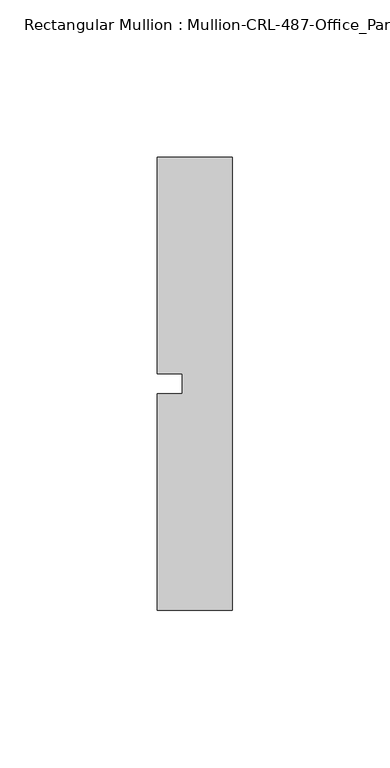
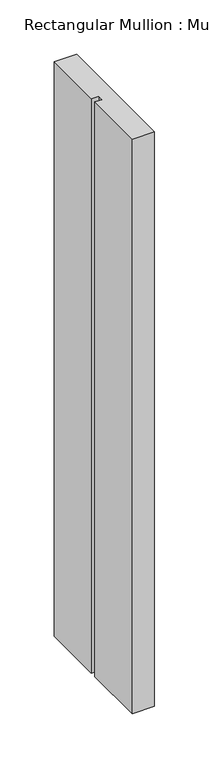
"""IFC4 building model written with IfcOpenShell, lengths in millimetres: member geometry, Rectangular Mullion : Mullion-CRL-487-Office_Partition-Left_Jamb."""

import ifcopenshell
import ifcopenshell.guid

model = None  # the IFC model being written
_history = None  # IfcOwnerHistory: only IFC2X3 demands one
_inside = {}  # id of a spatial element -> (the spatial element, [elements in it])
_under = {}  # id of a project, library or spatial element -> (it, [spatial elements below it])
_declared = {}  # id of a project -> (the project, [libraries it declares])
_typed = {}  # id of a type object -> (the type object, [elements of that type])
_made_of = {}  # id of a material, layer set ... -> (it, [elements and type objects made of it])


def new_model(schema):
    """Start an empty IFC model of exactly this schema.

    Asked for "IFC4X3", IfcOpenShell would pick the latest addendum, in which some entities
    have other attributes; the version numbers below select the first issue.
    IFC2X3 requires an IfcOwnerHistory on every rooted entity: one is made here for all.
    """
    global model, _history
    if schema == "IFC4X3":
        model = ifcopenshell.file(schema_version=(4, 3, 0, 0))
    else:
        model = ifcopenshell.file(schema=schema)
    _inside.clear()
    _under.clear()
    _declared.clear()
    _typed.clear()
    _made_of.clear()
    _history = None
    if model.schema == "IFC2X3":
        org = make("IfcOrganization", Name="unknown")
        user = make(
            "IfcPersonAndOrganization",
            ThePerson=make("IfcPerson", FamilyName="unknown"),
            TheOrganization=org,
        )
        app = make(
            "IfcApplication",
            ApplicationDeveloper=org,
            Version="unknown",
            ApplicationFullName="unknown",
            ApplicationIdentifier="unknown",
        )
        _history = make(
            "IfcOwnerHistory",
            OwningUser=user,
            OwningApplication=app,
            ChangeAction="ADDED",
            CreationDate=0,
        )
    return model


def make(cls, **values):
    """One entity of the class cls with the attributes given. An attribute that is None is left unset."""
    return model.create_entity(
        cls, **{name: value for name, value in values.items() if value is not None}
    )


def rooted(cls, **values):
    """An entity with a GlobalId (a new one), such as an element, a storey or a relation."""
    return make(cls, GlobalId=ifcopenshell.guid.new(), OwnerHistory=_history, **values)


def si_unit(unit_type, name, prefix=None):
    """IfcSIUnit, for example si_unit("LENGTHUNIT", "METRE", prefix="MILLI")."""
    return make("IfcSIUnit", UnitType=unit_type, Prefix=prefix, Name=name)


def assignment(units):
    """IfcUnitAssignment: the units of a project."""
    return None if units is None else make("IfcUnitAssignment", Units=units)


def point(xyz):
    """IfcCartesianPoint."""
    return None if xyz is None else make("IfcCartesianPoint", Coordinates=xyz)


def direction(xyz):
    """IfcDirection."""
    return None if xyz is None else make("IfcDirection", DirectionRatios=xyz)


def frame(location, z_axis=None, x_axis=None):
    """IfcAxis2Placement3D, a coordinate frame: its origin and axes. An axis left out is left unset."""
    return make(
        "IfcAxis2Placement3D",
        Location=point(location),
        Axis=direction(z_axis),
        RefDirection=direction(x_axis),
    )


def origin():
    """The frame at (0, 0, 0) with its axes left unset."""
    return frame((0.0, 0.0, 0.0))


def place(relative_to, where):
    """IfcLocalPlacement: puts the frame where relative to a parent placement (None: the world)."""
    return make(
        "IfcLocalPlacement", PlacementRelTo=relative_to, RelativePlacement=where
    )


def context(
    kind, dimensions, precision=None, world=None, true_north=None, identifier=None
):
    """IfcGeometricRepresentationContext, for example the 3D "Model" context."""
    return make(
        "IfcGeometricRepresentationContext",
        ContextIdentifier=identifier,
        ContextType=kind,
        CoordinateSpaceDimension=dimensions,
        Precision=precision,
        WorldCoordinateSystem=world,
        TrueNorth=true_north,
    )


def project(units=None, contexts=None):
    """IfcProject with its units and contexts."""
    return rooted(
        "IfcProject",
        Name="project",
        RepresentationContexts=contexts,
        UnitsInContext=assignment(units),
    )


def spatial(cls, under=None, at=None, **own):
    """A site, building, storey or space (cls), placed at a placement, below another one or the project."""
    s = rooted(cls, ObjectPlacement=at, **own)
    if under is not None:
        _under.setdefault(under.id(), (under, []))[1].append(s)
    return s


def polyline(points):
    """IfcPolyline through the points."""
    return make("IfcPolyline", Points=[point(p) for p in points])


def outline(outer, holes=None, kind="AREA"):
    """IfcArbitraryClosedProfileDef: a profile drawn as a closed curve; with holes, ...WithVoids."""
    if holes is None:
        return make("IfcArbitraryClosedProfileDef", ProfileType=kind, OuterCurve=outer)
    return make(
        "IfcArbitraryProfileDefWithVoids",
        ProfileType=kind,
        OuterCurve=outer,
        InnerCurves=holes,
    )


def extrude(swept, where, along, depth):
    """IfcExtrudedAreaSolid: the profile swept, set in the frame where, extruded along a direction by depth."""
    return make(
        "IfcExtrudedAreaSolid",
        SweptArea=swept,
        Position=where,
        ExtrudedDirection=direction(along),
        Depth=depth,
    )


def shape(context_of_items, identifier, shape_type, items):
    """IfcShapeRepresentation: the items that make up one representation, for example the "Body"."""
    return make(
        "IfcShapeRepresentation",
        ContextOfItems=context_of_items,
        RepresentationIdentifier=identifier,
        RepresentationType=shape_type,
        Items=items,
    )


def source(mapping_origin, context_of_items, identifier, shape_type, items):
    """IfcRepresentationMap: a shape defined once, which mapped items show again and again."""
    return make(
        "IfcRepresentationMap",
        MappingOrigin=mapping_origin,
        MappedRepresentation=shape(context_of_items, identifier, shape_type, items),
    )


def transform(
    local_origin,
    x_axis=None,
    y_axis=None,
    z_axis=None,
    scale=None,
    scale2=None,
    scale3=None,
    uniform=True,
):
    """IfcCartesianTransformationOperator3D, or its non-uniform kind. x_axis, y_axis, z_axis: its Axis1, 2, 3."""
    if uniform:
        return make(
            "IfcCartesianTransformationOperator3D",
            Axis1=direction(x_axis),
            Axis2=direction(y_axis),
            LocalOrigin=point(local_origin),
            Scale=scale,
            Axis3=direction(z_axis),
        )
    return make(
        "IfcCartesianTransformationOperator3DnonUniform",
        Axis1=direction(x_axis),
        Axis2=direction(y_axis),
        LocalOrigin=point(local_origin),
        Scale=scale,
        Axis3=direction(z_axis),
        Scale2=scale2,
        Scale3=scale3,
    )


def mapped(mapping_source, mapping_target):
    """IfcMappedItem: shows the shape of a source again, moved by a transform."""
    return make(
        "IfcMappedItem", MappingSource=mapping_source, MappingTarget=mapping_target
    )


def made_of(thing, what):
    """Note that an element or type object is made of a material, layer set ...; save() writes the relation."""
    if what is not None:
        _made_of.setdefault(what.id(), (what, []))[1].append(thing)
    return thing


def element(
    cls,
    number,
    at=None,
    inside=None,
    cuts=None,
    type_object=None,
    material=None,
    context=None,
    identifier="Body",
    shape_type=None,
    held_by="IfcProductDefinitionShape",
    body=None,
    shapes=None,
    **own,
):
    """One element of the class cls, such as IfcWall. Its Tag is "e" and its number.

    at: its placement. inside: the storey or other place that contains it. cuts: it is an
    opening in that element (IfcRelVoidsElement). A single representation is given by context,
    identifier, shape_type and body (its items); several are given by shapes. held_by: the class
    of the entity that holds the representations. save() writes the other relations.
    """
    e = rooted(cls, Tag="e%d" % number, ObjectPlacement=at, **own)
    if body is not None:
        shapes = [shape(context, identifier, shape_type, body)]
    if shapes is not None:
        e.Representation = make(held_by, Representations=shapes)
    if inside is not None:
        _inside.setdefault(inside.id(), (inside, []))[1].append(e)
    if cuts is not None:
        rooted(
            "IfcRelVoidsElement", RelatingBuildingElement=cuts, RelatedOpeningElement=e
        )
    if type_object is not None:
        _typed.setdefault(type_object.id(), (type_object, []))[1].append(e)
    return made_of(e, material)


def aggregate(whole, parts):
    """IfcRelAggregates: a whole, such as a stair, and the parts it consists of."""
    return rooted("IfcRelAggregates", RelatingObject=whole, RelatedObjects=parts)


def save(model, path):
    """Write the relations noted so far, then the file.

    IfcRelAggregates (storeys below a building ...), IfcRelContainedInSpatialStructure (elements
    in a storey), IfcRelDefinesByType, IfcRelAssociatesMaterial and IfcRelDeclares: one each for
    every whole, place, type object, material and project.
    """
    for whole, parts in _under.values():
        aggregate(whole, parts)
    for where, things in _inside.values():
        rooted(
            "IfcRelContainedInSpatialStructure",
            RelatedElements=things,
            RelatingStructure=where,
        )
    for kind, things in _typed.values():
        rooted("IfcRelDefinesByType", RelatedObjects=things, RelatingType=kind)
    for what, things in _made_of.values():
        rooted("IfcRelAssociatesMaterial", RelatedObjects=things, RelatingMaterial=what)
    for by, libraries in _declared.values():
        rooted("IfcRelDeclares", RelatingContext=by, RelatedDefinitions=libraries)
    model.write(path)


def rectangular_mullion_mullion_crl_487_office_partition_left_b8a165d3(model_context):
    return source(origin(), model_context, "Body", "SweptSolid", [
        extrude(outline(polyline([(-23.7998, -71.9452143), (-23.7998, -3.175), (-15.8623, -3.175), (-15.8623, 3.175), (-23.7998, 3.175), (-23.7998, 71.9452142), (0.0, 71.9452142), (0.0, -71.9452143), (-23.7998, -71.9452143)])), frame((0.0, 0.0, -647.7), z_axis=(0.0, 0.0, 1.0), x_axis=(1.0, 0.0, 0.0)), (0.0, 0.0, 1.0), 647.7),
    ])


if __name__ == "__main__":
    model = new_model("IFC4")
    model_context = context("Model", 3, world=origin())
    ifc_project = project(units=[si_unit("LENGTHUNIT", "METRE", prefix="MILLI")], contexts=[model_context])
    site = spatial("IfcSite", under=ifc_project)
    building = spatial("IfcBuilding", under=site)
    placement = place(None, origin())
    rectangular_mullion_mullion_crl_487_office_partition_left_shape = rectangular_mullion_mullion_crl_487_office_partition_left_b8a165d3(model_context)
    element("IfcMember", 1, ObjectType="Rectangular Mullion : Mullion-CRL-487-Office_Partition-Left_Jamb", at=placement, inside=building, context=model_context, shape_type="MappedRepresentation", body=[
        mapped(rectangular_mullion_mullion_crl_487_office_partition_left_shape, transform((0.0, 0.0, 0.0), x_axis=(1.0, 0.0, 0.0), y_axis=(0.0, 1.0, 0.0), z_axis=(0.0, 0.0, 1.0))),
    ])
    save(model, "model.ifc")
